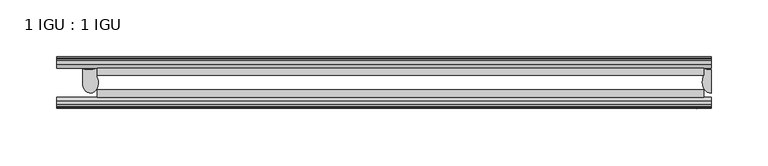
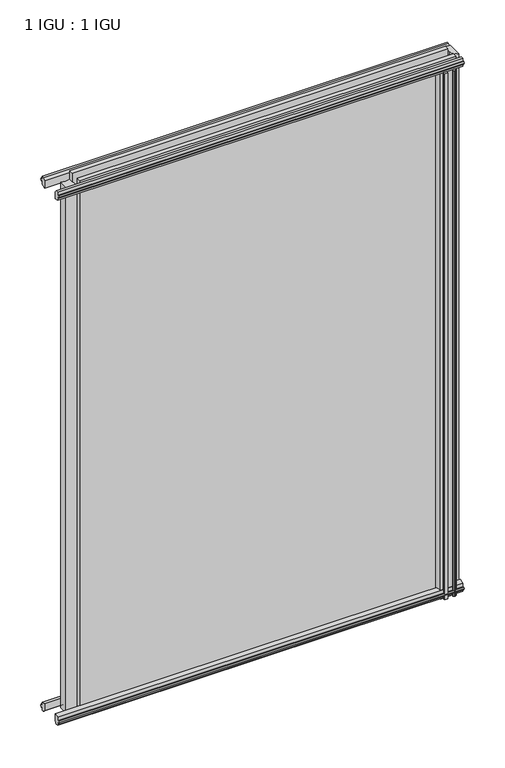
"""IFC4 building model written with IfcOpenShell, lengths in millimetres: plate geometry, 1 IGU : 1 IGU."""

from ifc_helpers import new_model, si_unit, point, frame, frame_2d, origin, place, context, project, spatial, polyline, circle_curve, ellipse_curve, trimmed, segment, composite_curve, outline, extrude, source, transform, mapped, element, save
from ifc_brep_helpers import plane_surface, cylinder_surface, revolved_surface, extruded_surface, advanced_brep


def plate_1_igu_1_igu_6ee7b7f1(model_context):
    return source(origin(), model_context, "Body", "SolidModel", [
        extrude(outline(polyline([(-218.0669374, -38.6468937), (314.3091249, -38.6468937), (314.3091249, -44.9460938), (-218.0669374, -44.9460938), (-218.0669374, -38.6468937)])), frame((0.0, 0.0, -12.7), z_axis=(0.0, 0.0, 1.0), x_axis=(1.0, 0.0, 0.0)), (0.0, 0.0, 1.0), 800.0872996),
        extrude(outline(polyline([(-218.0669374, -19.5460937), (314.3091249, -19.5460937), (314.3091249, -25.8960938), (-218.0669374, -25.8960938), (-218.0669374, -19.5460937)])), frame((0.0, 0.0, -12.7), z_axis=(0.0, 0.0, 1.0), x_axis=(1.0, 0.0, 0.0)), (0.0, 0.0, 1.0), 800.0872996),
        advanced_brep(
        [(-230.7979229, -20.0381352, -12.4587), (-218.0979229, -19.5460938, -12.4587), (-218.0979229, -27.1259412, -12.4587), (-230.7979229, -32.2460937, -12.4587), (-230.7979229, -20.0381352, 774.6872996), (-230.7979229, -32.2460937, 774.6872996), (-218.0979229, -27.1259412, 774.6872996), (-218.0979229, -19.5460938, 774.6872996)],
        [
            (0, 1, circle_curve(frame((-225.0811961, -3.4468047, -12.4587), z_axis=(0.0, 0.0, 1.0), x_axis=(1.0, 0.0, 0.0)), 17.5485957)),
            (1, 2),
            (2, 3, ellipse_curve(frame((-223.8617543, -32.2460937, -12.4587), z_axis=(0.0, 0.0, -1.0), x_axis=(0.0, -1.0, 0.0)), 9.2039536, 6.9361686)),
            (3, 0),
            (4, 5),
            (5, 6, ellipse_curve(frame((-223.8617543, -32.2460937, 774.6872996), z_axis=(0.0, 0.0, 1.0), x_axis=(0.0, -1.0, 0.0)), 9.2039536, 6.9361686)),
            (6, 7),
            (7, 4, circle_curve(frame((-225.0811961, -3.4468047, 774.6872996), z_axis=(0.0, 0.0, -1.0), x_axis=(1.0, 0.0, 0.0)), 17.5485957)),
            (0, 4),
            (7, 1),
            (6, 2),
            (5, 3),
        ],
        [
            plane_surface(frame((-253.1903749, -13.1960937, -12.4587), z_axis=(0.0, 0.0, -1.0), x_axis=(0.0, 1.0, 0.0))),
            plane_surface(frame((-253.1903749, -13.1960937, 774.6872996), z_axis=(0.0, 0.0, 1.0), x_axis=(0.0, 1.0, 0.0))),
            revolved_surface(polyline([(-207.5326004, -3.4468047, 774.6872996), (-207.5326004, -3.4468047, -12.4587)]), (-225.0811961, -3.4468047, -12.4587), (0.0, 0.0, 1.0)),
            plane_surface(frame((-218.0979229, -19.5460938, -12.4587), z_axis=(1.0, 0.0, 0.0), x_axis=(0.0, 0.0, 1.0))),
            extruded_surface(trimmed(ellipse_curve(frame((-223.8617543, -32.2460937, 774.6872996), z_axis=(0.0, 0.0, -1.0), x_axis=(0.0, -1.0, 0.0)), 9.2039536, 6.9361686), [point((-218.0979229, -27.1259412, 774.6872996))], [point((-230.7979229, -32.2460937, 774.6872996))], True, "CARTESIAN"), (0.0, 0.0, -787.1459996), 787.1459996),
            plane_surface(frame((-230.7979229, -32.2460937, -12.4587), z_axis=(-1.0, 0.0, 0.0), x_axis=(0.0, 0.0, 1.0))),
        ],
        [
            (0, [[1, 2, 3, 4]]),
            (1, [[5, 6, 7, 8]]),
            (2, [[-1, 9, -8, 10]]),
            (3, [[-2, -10, -7, 11]]),
            (4, [[-3, -11, -6, 12]]),
            (5, [[-4, -12, -5, -9]]),
        ],
    ),
        advanced_brep(
        [(320.6591249, -21.1709383, -12.4587), (320.6591249, -41.5384061, -12.4587), (313.1367878, -32.2460938, -12.4587), (314.3091249, -25.8452938, -12.4587), (314.3091249, -19.5460938, -12.4587), (320.6591249, -21.1709383, 787.3872996), (314.3091249, -19.5460938, 787.3872996), (314.3091249, -25.8452938, 787.3872996), (313.1367878, -32.2460938, 787.3872996), (320.6591249, -41.5384061, 787.3872996)],
        [
            (0, 1),
            (1, 2, ellipse_curve(frame((320.6591249, -32.2460938, -12.4587), z_axis=(0.0, 0.0, -1.0), x_axis=(0.0, -1.0, 0.0)), 9.2923124, 7.5223371)),
            (2, 3, circle_curve(frame((331.1967013, -32.2460938, -12.4587), z_axis=(0.0, 0.0, -1.0), x_axis=(1.0, 0.0, 0.0)), 18.0599135)),
            (3, 4),
            (4, 0, circle_curve(frame((320.6591249, -7.950406, -12.4587), z_axis=(0.0, 0.0, 1.0), x_axis=(1.0, 0.0, 0.0)), 13.2205323)),
            (5, 6, circle_curve(frame((320.6591249, -7.950406, 787.3872996), z_axis=(0.0, 0.0, -1.0), x_axis=(1.0, 0.0, 0.0)), 13.2205323)),
            (6, 7),
            (7, 8, circle_curve(frame((331.1967013, -32.2460938, 787.3872996), z_axis=(0.0, 0.0, 1.0), x_axis=(1.0, 0.0, 0.0)), 18.0599135)),
            (8, 9, ellipse_curve(frame((320.6591249, -32.2460938, 787.3872996), z_axis=(0.0, 0.0, 1.0), x_axis=(0.0, -1.0, 0.0)), 9.2923124, 7.5223371)),
            (9, 5),
            (1, 9),
            (8, 2),
            (7, 3),
            (6, 4),
            (5, 0),
        ],
        [
            plane_surface(frame((320.6591249, -13.1960938, -12.4587), z_axis=(0.0, 0.0, -1.0), x_axis=(0.0, 1.0, 0.0))),
            plane_surface(frame((320.6591249, -13.1960938, 787.3872996), z_axis=(0.0, 0.0, 1.0), x_axis=(0.0, 1.0, 0.0))),
            extruded_surface(trimmed(ellipse_curve(frame((320.6591249, -32.2460938, 787.3872996), z_axis=(0.0, 0.0, -1.0), x_axis=(0.0, -1.0, 0.0)), 9.2923124, 7.5223371), [point((320.6591249, -41.5384061, 787.3872996))], [point((313.1367878, -32.2460938, 787.3872996))], True, "CARTESIAN"), (0.0, 0.0, -799.8459996), 799.8459996),
            cylinder_surface(frame((331.1967013, -32.2460938, -12.4587), z_axis=(0.0, 0.0, -1.0), x_axis=(1.0, 0.0, 0.0)), 18.0599135),
            plane_surface(frame((314.3091249, -25.8452938, -12.4587), z_axis=(-1.0, 0.0, 0.0), x_axis=(0.0, 0.0, 1.0))),
            revolved_surface(polyline([(333.8796572, -7.950406, 787.3872996), (333.8796572, -7.950406, -12.4587)]), (320.6591249, -7.950406, -12.4587), (0.0, 0.0, 1.0)),
            plane_surface(frame((320.6591249, -21.1709383, -12.4587), z_axis=(1.0, 0.0, 0.0), x_axis=(0.0, 0.0, 1.0))),
        ],
        [
            (0, [[1, 2, 3, 4, 5]]),
            (1, [[6, 7, 8, 9, 10]]),
            (2, [[-2, 11, -9, 12]]),
            (3, [[-3, -12, -8, 13]]),
            (4, [[-4, -13, -7, 14]]),
            (5, [[-5, -14, -6, 15]]),
            (6, [[-1, -15, -10, -11]]),
        ],
    ),
        extrude(outline(polyline([(-44.9460937, 1.7177181), (-44.9460937, -9.1036578), (-48.3496937, -11.938), (-51.2960937, -11.938), (-51.2960937, -7.493), (-53.6762907, -7.112), (-53.2163575, -8.5275291), (-54.0175717, -8.5275291), (-54.7250937, -6.35), (-54.0175717, -4.1724709), (-53.2163575, -4.1724709), (-53.6762907, -5.588), (-51.2960937, -5.207), (-51.2960937, 0.0), (-44.9460937, 1.7177181)])), frame((-253.1903749, 0.0, 0.0), z_axis=(1.0, 0.0, 0.0), x_axis=(0.0, 1.0, 0.0)), (0.0, 0.0, 1.0), 573.8494998),
        extrude(outline(polyline([(-13.1960937, -12.4587), (-16.1424937, -12.4587), (-19.5460937, -9.6243578), (-19.5460937, 1.1970181), (-13.1960937, -0.5207), (-13.1960937, -5.7277), (-10.8158968, -6.1087), (-11.27583, -4.6931709), (-10.4746158, -4.6931709), (-9.7670937, -6.8707), (-10.4746158, -9.0482291), (-11.27583, -9.0482291), (-10.8158968, -7.6327), (-13.1960937, -8.0137), (-13.1960937, -12.4587)])), frame((-253.1903749, 0.0, 0.0), z_axis=(1.0, 0.0, 0.0), x_axis=(0.0, 1.0, 0.0)), (0.0, 0.0, 1.0), 573.8494998),
        extrude(outline(polyline([(-51.2960937, 786.6252996), (-48.3496937, 786.6252996), (-44.9460937, 783.7909574), (-44.9460937, 772.9695815), (-51.2960937, 774.6872996), (-51.2960937, 779.8942996), (-53.6762907, 780.2752996), (-53.2163575, 778.8597705), (-54.0175717, 778.8597705), (-54.7250937, 781.0372996), (-54.0175717, 783.2148286), (-53.2163575, 783.2148286), (-53.6762907, 781.7992996), (-51.2960937, 782.1802996), (-51.2960937, 786.6252996)])), frame((-253.1903749, 0.0, 0.0), z_axis=(1.0, 0.0, 0.0), x_axis=(0.0, 1.0, 0.0)), (0.0, 0.0, 1.0), 573.8494998),
        extrude(outline(polyline([(-19.5460937, 773.4902815), (-19.5460937, 784.3116574), (-16.1424937, 787.1459996), (-13.1960937, 787.1459996), (-13.1960937, 782.7009996), (-10.8158968, 782.3199996), (-11.27583, 783.7355286), (-10.4746158, 783.7355286), (-9.7670937, 781.5579996), (-10.4746158, 779.3804705), (-11.27583, 779.3804705), (-10.8158968, 780.7959996), (-13.1960937, 780.4149996), (-13.1960937, 775.2079996), (-19.5460937, 773.4902815)])), frame((-253.1903749, 0.0, 0.0), z_axis=(1.0, 0.0, 0.0), x_axis=(0.0, 1.0, 0.0)), (0.0, 0.0, 1.0), 573.8494998),
        extrude(outline(composite_curve([segment(polyline([(311.1341251, -44.9460938), (311.1341251, -51.2960938), (309.4831251, -51.2960938), (309.4831251, -52.9470938), (310.5607558, -52.9470938)]), True, "CONTINUOUS"), segment(trimmed(circle_curve(frame_2d((309.4831251, -52.9470938)), 1.0776307), [point((310.5607558, -52.9470938))], [point((310.2451251, -53.7090938))], False, "CARTESIAN"), True, "CONTINUOUS"), segment(polyline([(310.2451251, -53.7090938), (308.5058327, -54.8194621)]), True, "CONTINUOUS"), segment(trimmed(circle_curve(frame_2d((307.9591251, -53.9630938)), 1.016), [point((308.5058327, -54.8194621))], [point((307.4124175, -54.8194621))], False, "CARTESIAN"), True, "CONTINUOUS"), segment(polyline([(307.4124175, -54.8194621), (305.6731251, -53.7090938)]), True, "CONTINUOUS"), segment(trimmed(circle_curve(frame_2d((306.4351251, -52.9470938)), 1.0776307), [point((305.6731251, -53.7090938))], [point((305.3574943, -52.9470938))], False, "CARTESIAN"), True, "CONTINUOUS"), segment(polyline([(305.3574943, -52.9470938), (306.4351251, -52.9470938), (306.4351251, -51.2960938), (297.3673251, -51.2960938)]), True, "CONTINUOUS"), segment(trimmed(circle_curve(frame_2d((297.3673251, -51.7532938)), 0.4572), [point((297.3673251, -51.2960938))], [point((297.0285072, -52.0602698))], True, "CARTESIAN"), True, "CONTINUOUS"), segment(trimmed(circle_curve(frame_2d((295.2591251, -53.663367)), 2.3876), [point((297.0285072, -52.0602698))], [point((297.3297681, -54.8520938))], False, "CARTESIAN"), True, "CONTINUOUS"), segment(polyline([(297.3297681, -54.8520938), (293.1884821, -54.8520938)]), True, "CONTINUOUS"), segment(trimmed(circle_curve(frame_2d((295.2591251, -53.663367)), 2.3876), [point((293.1884821, -54.8520938))], [point((293.4897429, -52.0602698))], False, "CARTESIAN"), True, "CONTINUOUS"), segment(trimmed(circle_curve(frame_2d((293.1509251, -51.7532938)), 0.4572), [point((293.4897429, -52.0602698))], [point((293.1509251, -51.2960938))], True, "CARTESIAN"), True, "CONTINUOUS"), segment(polyline([(293.1509251, -51.2960938), (288.9091251, -51.2960938)]), True, "CONTINUOUS"), segment(trimmed(circle_curve(frame_2d((279.8931936, -51.9750196)), 9.0414579), [point((288.9091251, -51.2960938))], [point((285.5802105, -44.9460938))], True, "CARTESIAN"), True, "CONTINUOUS"), segment(polyline([(285.5802105, -44.9460938), (311.1341251, -44.9460938)]), True, "CONTINUOUS")], self_intersect=False)), frame((0.0, 0.0, -12.7), z_axis=(0.0, 0.0, 1.0), x_axis=(1.0, 0.0, 0.0)), (0.0, 0.0, 1.0), 787.3872996),
    ])


if __name__ == "__main__":
    model = new_model("IFC4")
    model_context = context("Model", 3, world=origin())
    ifc_project = project(units=[si_unit("LENGTHUNIT", "METRE", prefix="MILLI")], contexts=[model_context])
    site = spatial("IfcSite", under=ifc_project)
    building = spatial("IfcBuilding", under=site)
    placement = place(None, origin())
    plate_1_igu_1_igu_shape = plate_1_igu_1_igu_6ee7b7f1(model_context)
    element("IfcPlate", 1, ObjectType="1 IGU : 1 IGU", at=placement, inside=building, context=model_context, shape_type="MappedRepresentation", body=[
        mapped(plate_1_igu_1_igu_shape, transform((0.0, 0.0, 0.0), x_axis=(1.0, 0.0, 0.0), y_axis=(0.0, 1.0, 0.0), z_axis=(0.0, 0.0, 1.0))),
    ])
    save(model, "model.ifc")
